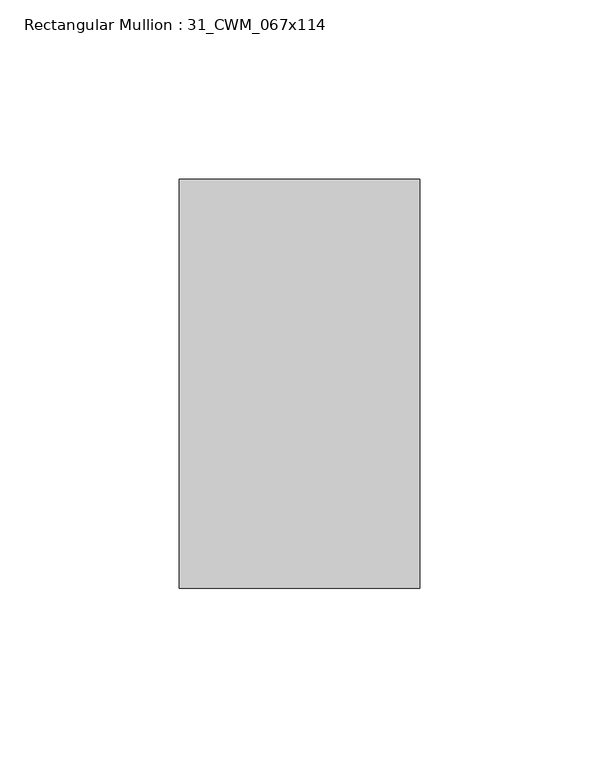
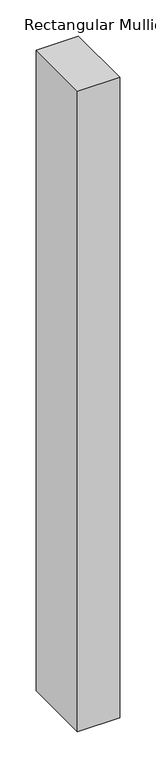
"""IFC4 building model written with IfcOpenShell, lengths in millimetres: member geometry, Rectangular Mullion : 31_CWM_067x114."""

from ifc_helpers import new_model, si_unit, frame, origin, place, context, project, spatial, polyline, outline, extrude, source, transform, mapped, element, save


def rectangular_mullion_31_cwm_067x114_826c4065(model_context):
    return source(origin(), model_context, "Body", "SweptSolid", [
        extrude(outline(polyline([(33.5, 0.0), (33.5, -114.0), (-33.5, -114.0), (-33.5, 0.0), (33.5, 0.0)])), frame((0.0, 0.0, -1080.0), z_axis=(0.0, 0.0, 1.0), x_axis=(1.0, 0.0, 0.0)), (0.0, 0.0, 1.0), 1080.0),
    ])


if __name__ == "__main__":
    model = new_model("IFC4")
    model_context = context("Model", 3, world=origin())
    ifc_project = project(units=[si_unit("LENGTHUNIT", "METRE", prefix="MILLI")], contexts=[model_context])
    site = spatial("IfcSite", under=ifc_project)
    building = spatial("IfcBuilding", under=site)
    placement = place(None, origin())
    rectangular_mullion_31_cwm_067x114_shape = rectangular_mullion_31_cwm_067x114_826c4065(model_context)
    element("IfcMember", 1, ObjectType="Rectangular Mullion : 31_CWM_067x114", at=placement, inside=building, context=model_context, shape_type="MappedRepresentation", body=[
        mapped(rectangular_mullion_31_cwm_067x114_shape, transform((0.0, 0.0, 0.0), x_axis=(1.0, 0.0, 0.0), y_axis=(0.0, 1.0, 0.0), z_axis=(0.0, 0.0, 1.0))),
    ])
    save(model, "model.ifc")
